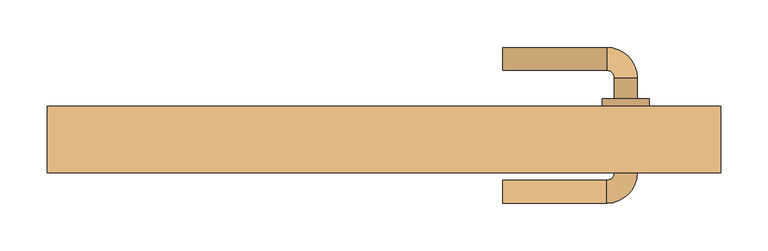
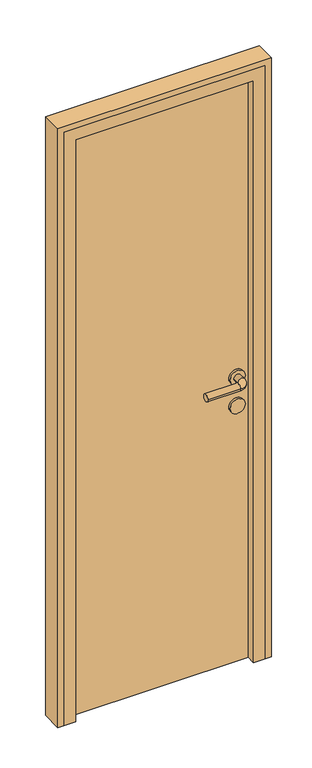
"""IFC4 building model written with IfcOpenShell, lengths in millimetres: door geometry."""

from ifc_helpers import new_model, si_unit, point, frame, frame_2d, origin, origin_with_axes, place, context, project, spatial, polyline, circle_curve, ellipse_curve, trimmed, segment, composite_curve, outline, extrude, faceted_brep, source, transform, mapped, element, save
from ifc_brep_helpers import plane_surface, cylinder_surface, revolved_surface, advanced_brep


def door_818cd0d5(model_context):
    return source(origin(), model_context, "Body", "SolidModel", [
        advanced_brep(
        [(125.0, 132.0, 1000.0), (125.0, 108.0, 1000.0), (235.0, 108.0, 1000.0), (235.0, 132.0, 1000.0), (243.0, 100.0, 1000.0), (267.0, 100.0, 1000.0), (267.0, 0.0, 1000.0), (267.0, 22.0, 1000.0), (243.0, 22.0, 1000.0), (243.0, 0.0, 1000.0), (243.0, 78.0, 1000.0), (267.0, 78.0, 1000.0), (235.0, -8.0, 1000.0), (235.0, -32.0, 1000.0), (125.0, -32.0, 1000.0), (125.0, -8.0, 1000.0), (230.0, 22.0, 1000.0), (280.0, 22.0, 1000.0), (230.0, 78.0, 1000.0), (280.0, 78.0, 1000.0)],
        [
            (0, 1, circle_curve(frame((125.0, 120.0, 1000.0), z_axis=(-1.0, 0.0, 0.0), x_axis=(0.0, -1.0, 0.0)), 12.0)),
            (1, 0, circle_curve(frame((125.0, 120.0, 1000.0), z_axis=(-1.0, 0.0, 0.0), x_axis=(0.0, -1.0, 0.0)), 12.0)),
            (1, 2),
            (2, 3, circle_curve(frame((235.0, 120.0, 1000.0), z_axis=(-1.0, 0.0, 0.0), x_axis=(0.0, -1.0, 0.0)), 12.0)),
            (3, 0),
            (3, 2, circle_curve(frame((235.0, 120.0, 1000.0), z_axis=(-1.0, 0.0, 0.0), x_axis=(0.0, -1.0, 0.0)), 12.0)),
            (2, 4, circle_curve(frame((235.0, 100.0, 1000.0), z_axis=(0.0, 0.0, -1.0), x_axis=(0.0, 1.0, 0.0)), 8.0)),
            (4, 5, circle_curve(frame((255.0, 100.0, 1000.0), z_axis=(0.0, 1.0, 0.0), x_axis=(-1.0, 0.0, 0.0)), 12.0)),
            (5, 3, circle_curve(frame((235.0, 100.0, 1000.0), z_axis=(0.0, 0.0, 1.0), x_axis=(0.0, 1.0, 0.0)), 32.0)),
            (5, 4, circle_curve(frame((255.0, 100.0, 1000.0), z_axis=(0.0, 1.0, 0.0), x_axis=(-1.0, 0.0, 0.0)), 12.0)),
            (6, 7),
            (7, 8, circle_curve(frame((255.0, 22.0, 1000.0), z_axis=(0.0, -1.0, 0.0), x_axis=(-1.0, 0.0, 0.0)), 12.0)),
            (8, 9),
            (9, 6, circle_curve(frame((255.0, 0.0, 1000.0), z_axis=(0.0, 1.0, 0.0), x_axis=(-1.0, 0.0, 0.0)), 12.0)),
            (4, 10),
            (10, 11, circle_curve(frame((255.0, 78.0, 1000.0), z_axis=(0.0, 1.0, 0.0), x_axis=(-1.0, 0.0, 0.0)), 12.0)),
            (11, 5),
            (11, 10, circle_curve(frame((255.0, 78.0, 1000.0), z_axis=(0.0, 1.0, 0.0), x_axis=(-1.0, 0.0, 0.0)), 12.0)),
            (8, 7, circle_curve(frame((255.0, 22.0, 1000.0), z_axis=(0.0, -1.0, 0.0), x_axis=(-1.0, 0.0, 0.0)), 12.0)),
            (6, 9, circle_curve(frame((255.0, 0.0, 1000.0), z_axis=(0.0, 1.0, 0.0), x_axis=(-1.0, 0.0, 0.0)), 12.0)),
            (9, 12, circle_curve(frame((235.0, 0.0, 1000.0), z_axis=(0.0, 0.0, -1.0), x_axis=(1.0, 0.0, 0.0)), 8.0)),
            (12, 13, circle_curve(frame((235.0, -20.0, 1000.0), z_axis=(1.0, 0.0, 0.0), x_axis=(0.0, 1.0, 0.0)), 12.0)),
            (13, 6, circle_curve(frame((235.0, 0.0, 1000.0), z_axis=(0.0, 0.0, 1.0), x_axis=(1.0, 0.0, 0.0)), 32.0)),
            (13, 12, circle_curve(frame((235.0, -20.0, 1000.0), z_axis=(1.0, 0.0, 0.0), x_axis=(0.0, 1.0, 0.0)), 12.0)),
            (14, 15, circle_curve(frame((125.0, -20.0, 1000.0), z_axis=(-1.0, 0.0, 0.0), x_axis=(0.0, 1.0, 0.0)), 12.0)),
            (15, 14, circle_curve(frame((125.0, -20.0, 1000.0), z_axis=(-1.0, 0.0, 0.0), x_axis=(0.0, 1.0, 0.0)), 12.0)),
            (12, 15),
            (14, 13),
            (16, 17, circle_curve(frame((255.0, 22.0, 1000.0), z_axis=(0.0, -1.0, 0.0), x_axis=(1.0, 0.0, 0.0)), 25.0)),
            (17, 16, circle_curve(frame((255.0, 22.0, 1000.0), z_axis=(0.0, -1.0, 0.0), x_axis=(1.0, 0.0, 0.0)), 25.0)),
            (18, 19, circle_curve(frame((255.0, 78.0, 1000.0), z_axis=(0.0, 1.0, 0.0), x_axis=(1.0, 0.0, 0.0)), 25.0)),
            (19, 18, circle_curve(frame((255.0, 78.0, 1000.0), z_axis=(0.0, 1.0, 0.0), x_axis=(1.0, 0.0, 0.0)), 25.0)),
            (17, 19),
            (18, 16),
        ],
        [
            plane_surface(frame((125.0, 120.0, 1000.0), z_axis=(-1.0, 0.0, 0.0), x_axis=(0.0, 0.0, 1.0))),
            cylinder_surface(frame((125.0, 120.0, 1000.0), z_axis=(-1.0, 0.0, 0.0), x_axis=(0.0, -1.0, 0.0)), 12.0),
            revolved_surface(trimmed(ellipse_curve(frame((235.0, 120.0, 1000.0), z_axis=(1.0, 0.0, 0.0), x_axis=(0.0, -1.0, 0.0)), 12.0, 12.0), [point((235.0, 132.0, 1000.0))], [point((235.0, 108.0, 1000.0))], True, "CARTESIAN"), (235.0, 100.0, 1000.0), (0.0, 0.0, 1.0)),
            revolved_surface(trimmed(ellipse_curve(frame((235.0, 120.0, 1000.0), z_axis=(1.0, 0.0, 0.0), x_axis=(0.0, -1.0, 0.0)), 12.0, 12.0), [point((235.0, 108.0, 1000.0))], [point((235.0, 132.0, 1000.0))], True, "CARTESIAN"), (235.0, 100.0, 1000.0), (0.0, 0.0, 1.0)),
            cylinder_surface(frame((255.0, 100.0, 1000.0), z_axis=(0.0, 1.0, 0.0), x_axis=(-1.0, 0.0, 0.0)), 12.0),
            revolved_surface(trimmed(ellipse_curve(frame((255.0, 0.0, 1000.0), z_axis=(0.0, -1.0, 0.0), x_axis=(-1.0, 0.0, 0.0)), 12.0, 12.0), [point((267.0, 0.0, 1000.0))], [point((243.0, 0.0, 1000.0))], True, "CARTESIAN"), (235.0, 0.0, 1000.0), (0.0, 0.0, 1.0)),
            revolved_surface(trimmed(ellipse_curve(frame((255.0, 0.0, 1000.0), z_axis=(0.0, -1.0, 0.0), x_axis=(-1.0, 0.0, 0.0)), 12.0, 12.0), [point((243.0, 0.0, 1000.0))], [point((267.0, 0.0, 1000.0))], True, "CARTESIAN"), (235.0, 0.0, 1000.0), (0.0, 0.0, 1.0)),
            plane_surface(frame((125.0, -20.0, 1000.0), z_axis=(-1.0, 0.0, 0.0), x_axis=(0.0, 0.0, 1.0))),
            cylinder_surface(frame((235.0, -20.0, 1000.0), z_axis=(1.0, 0.0, 0.0), x_axis=(0.0, 1.0, 0.0)), 12.0),
            plane_surface(frame((280.0, 22.0, 1000.0), z_axis=(0.0, -1.0, 0.0), x_axis=(0.0, 0.0, -1.0))),
            plane_surface(frame((280.0, 78.0, 1000.0), z_axis=(0.0, 1.0, 0.0), x_axis=(0.0, 0.0, 1.0))),
            cylinder_surface(frame((255.0, 22.0, 1000.0), z_axis=(0.0, 1.0, 0.0), x_axis=(1.0, 0.0, 0.0)), 25.0),
        ],
        [
            (0, [[1, 2]]),
            (1, [[3, 4, 5, -2]]),
            (1, [[-5, 6, -3, -1]]),
            (2, [[7, 8, 9, -4]]),
            (3, [[-9, 10, -7, -6]]),
            (4, [[11, 12, 13, 14]]),
            (4, [[15, 16, 17, -8]]),
            (4, [[-17, 18, -15, -10]]),
            (4, [[-13, 19, -11, 20]]),
            (5, [[21, 22, 23, -14]]),
            (6, [[-23, 24, -21, -20]]),
            (7, [[25, 26]]),
            (8, [[27, -25, 28, -22]]),
            (8, [[-28, -26, -27, -24]]),
            (9, [[29, 30], [-19, -12]]),
            (10, [[31, 32], [-18, -16]]),
            (11, [[33, -31, 34, -30]]),
            (11, [[-34, -32, -33, -29]]),
        ],
    ),
        extrude(outline(composite_curve([segment(trimmed(circle_curve(frame_2d((900.0, 255.0)), 25.0), [point((900.0, 230.0))], [point((900.0, 280.0))], False, "CARTESIAN"), True, "CONTINUOUS"), segment(trimmed(circle_curve(frame_2d((900.0, 255.0)), 25.0), [point((900.0, 280.0))], [point((900.0, 230.0))], False, "CARTESIAN"), True, "CONTINUOUS")], self_intersect=False)), frame((0.0, 22.0, 0.0), z_axis=(0.0, 1.0, 0.0), x_axis=(0.0, 0.0, 1.0)), (0.0, 0.0, 1.0), 56.0),
        extrude(outline(polyline([(305.0, 30.0), (-305.0, 30.0), (-305.0, 70.0), (305.0, 70.0), (305.0, 30.0)])), origin_with_axes(), (0.0, 0.0, 1.0), 2050.0),
        extrude(outline(polyline([(0.0, 355.0), (2100.0, 355.0), (2100.0, -355.0), (0.0, -355.0), (0.0, -335.0), (2080.0, -335.0), (2080.0, 335.0), (0.0, 335.0), (0.0, 355.0)])), frame((0.0, 0.0, 0.0), z_axis=(0.0, 1.0, 0.0), x_axis=(0.0, 0.0, 1.0)), (0.0, 0.0, 1.0), 70.0),
        faceted_brep([(-335.0, 0.0, 0.0), (-335.0, 70.0, 0.0), (-305.0, 70.0, 0.0), (-305.0, 30.0, 0.0), (-295.0, 30.0, 0.0), (-295.0, 0.0, 0.0), (-335.0, 0.0, 2080.0), (-335.0, 70.0, 2080.0), (335.0, 70.0, 2080.0), (335.0, 70.0, 0.0), (305.0, 70.0, 0.0), (305.0, 70.0, 2050.0), (-305.0, 70.0, 2050.0), (-305.0, 30.0, 2050.0), (305.0, 30.0, 2050.0), (305.0, 30.0, 0.0), (295.0, 30.0, 0.0), (295.0, 30.0, 2040.0), (-295.0, 30.0, 2040.0), (-295.0, 0.0, 2040.0), (295.0, 0.0, 2040.0), (295.0, 0.0, 0.0), (335.0, 0.0, 0.0), (335.0, 0.0, 2080.0)], [[[0, 1, 2, 3, 4, 5]], [[1, 0, 6, 7]], [[2, 1, 7, 8, 9, 10, 11, 12]], [[3, 2, 12, 13]], [[4, 3, 13, 14, 15, 16, 17, 18]], [[5, 4, 18, 19]], [[0, 5, 19, 20, 21, 22, 23, 6]], [[7, 6, 23, 8]], [[13, 12, 11, 14]], [[19, 18, 17, 20]], [[22, 21, 16, 15, 10, 9]], [[8, 23, 22, 9]], [[14, 11, 10, 15]], [[20, 17, 16, 21]]]),
    ])


if __name__ == "__main__":
    model = new_model("IFC4")
    model_context = context("Model", 3, world=origin())
    ifc_project = project(units=[si_unit("LENGTHUNIT", "METRE", prefix="MILLI")], contexts=[model_context])
    site = spatial("IfcSite", under=ifc_project)
    building = spatial("IfcBuilding", under=site)
    placement = place(None, origin())
    door_shape = door_818cd0d5(model_context)
    element("IfcDoor", 1, at=placement, inside=building, context=model_context, shape_type="MappedRepresentation", body=[
        mapped(door_shape, transform((0.0, 0.0, 0.0), x_axis=(1.0, 0.0, 0.0), y_axis=(0.0, 1.0, 0.0), z_axis=(0.0, 0.0, 1.0))),
    ])
    save(model, "model.ifc")
